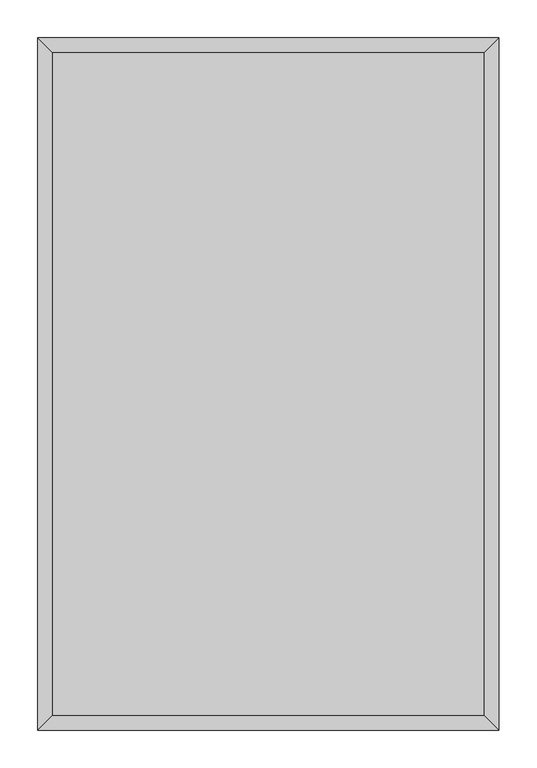
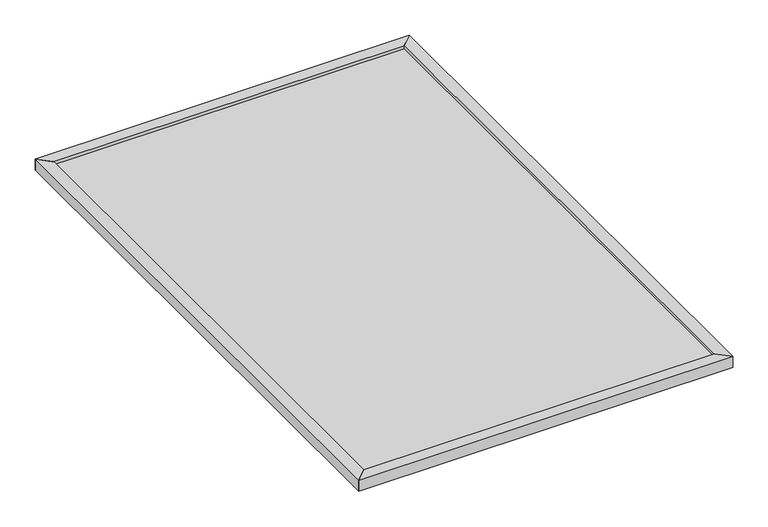
"""IFC4 building model written with IfcOpenShell, lengths in millimetres: proxy geometry."""

from ifc_helpers import new_model, si_unit, frame, origin, origin_with_axes, place, context, project, spatial, polyline, outline, extrude, source, transform, mapped, element, save


def specialty_equipment_16189e50(model_context):
    return source(origin(), model_context, "Body", "SweptSolid", [
        extrude(outline(polyline([(304.8, 457.2), (285.75, 438.15), (-285.75, 438.15), (-304.8, 457.2), (304.8, 457.2)])), origin_with_axes(), (0.0, 0.0, 1.0), 19.05),
        extrude(outline(polyline([(-285.75, -438.15), (285.75, -438.15), (304.8, -457.2), (-304.8, -457.2), (-285.75, -438.15)])), origin_with_axes(), (0.0, 0.0, 1.0), 19.05),
        extrude(outline(polyline([(-304.8, -457.2), (-304.8, 457.2), (-285.75, 438.15), (-285.75, -438.15), (-304.8, -457.2)])), origin_with_axes(), (0.0, 0.0, 1.0), 19.05),
        extrude(outline(polyline([(304.8, 457.2), (304.8, -457.2), (285.75, -438.15), (285.75, 438.15), (304.8, 457.2)])), origin_with_axes(), (0.0, 0.0, 1.0), 19.05),
        extrude(outline(polyline([(285.75, 438.15), (285.75, -438.15), (-285.75, -438.15), (-285.75, 438.15), (285.75, 438.15)])), frame((0.0, 0.0, 9.525), z_axis=(0.0, 0.0, 1.0), x_axis=(1.0, 0.0, 0.0)), (0.0, 0.0, 1.0), 4.7625),
    ])


if __name__ == "__main__":
    model = new_model("IFC4")
    model_context = context("Model", 3, world=origin())
    ifc_project = project(units=[si_unit("LENGTHUNIT", "METRE", prefix="MILLI")], contexts=[model_context])
    site = spatial("IfcSite", under=ifc_project)
    building = spatial("IfcBuilding", under=site)
    placement = place(None, origin())
    specialty_equipment_shape = specialty_equipment_16189e50(model_context)
    element("IfcBuildingElementProxy", 1, Name="Specialty Equipment", at=placement, inside=building, context=model_context, shape_type="MappedRepresentation", body=[
        mapped(specialty_equipment_shape, transform((0.0, 0.0, 0.0), x_axis=(1.0, 0.0, 0.0), y_axis=(0.0, 1.0, 0.0), z_axis=(0.0, 0.0, 1.0))),
    ])
    save(model, "model.ifc")
